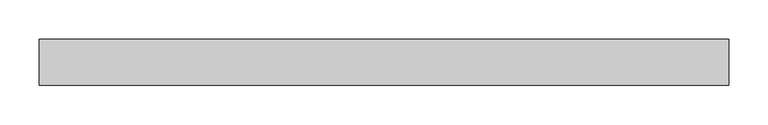
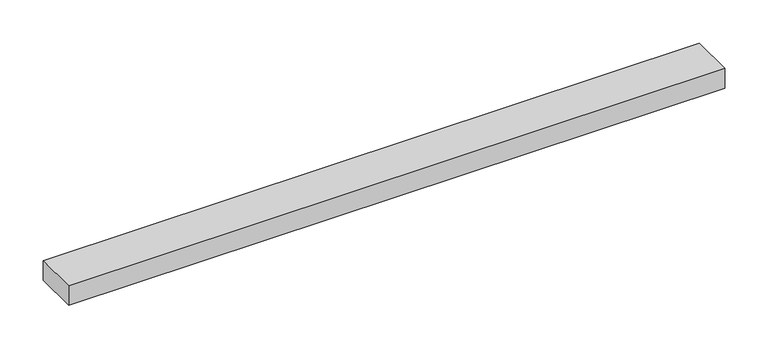
"""IFC4 building model written with IfcOpenShell, lengths in millimetres: proxy geometry."""

from ifc_helpers import new_model, si_unit, frame, origin, place, context, project, spatial, polyline, outline, extrude, source, transform, mapped, element, save


def specialty_equipment_ad7f46c8(model_context):
    return source(origin(), model_context, "Body", "SweptSolid", [
        extrude(outline(polyline([(-438.15, 29.2199219), (438.15, 29.2199219), (438.15, -29.2199219), (-438.15, -29.2199219), (-438.15, 29.2199219)])), frame((0.0, 0.0, -13.9898438), z_axis=(0.0, 0.0, 1.0), x_axis=(1.0, 0.0, 0.0)), (0.0, 0.0, 1.0), 27.9796875),
    ])


if __name__ == "__main__":
    model = new_model("IFC4")
    model_context = context("Model", 3, world=origin())
    ifc_project = project(units=[si_unit("LENGTHUNIT", "METRE", prefix="MILLI")], contexts=[model_context])
    site = spatial("IfcSite", under=ifc_project)
    building = spatial("IfcBuilding", under=site)
    placement = place(None, origin())
    specialty_equipment_shape = specialty_equipment_ad7f46c8(model_context)
    element("IfcBuildingElementProxy", 1, Name="Specialty Equipment", at=placement, inside=building, context=model_context, shape_type="MappedRepresentation", body=[
        mapped(specialty_equipment_shape, transform((0.0, 0.0, 0.0), x_axis=(1.0, 0.0, 0.0), y_axis=(0.0, 1.0, 0.0), z_axis=(0.0, 0.0, 1.0))),
    ])
    save(model, "model.ifc")
